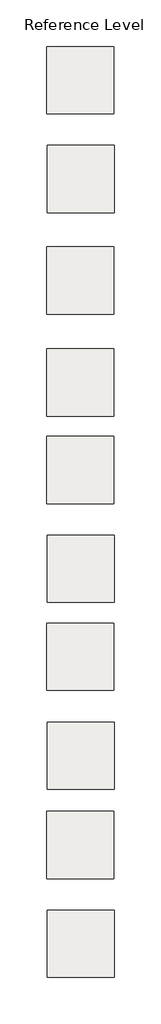
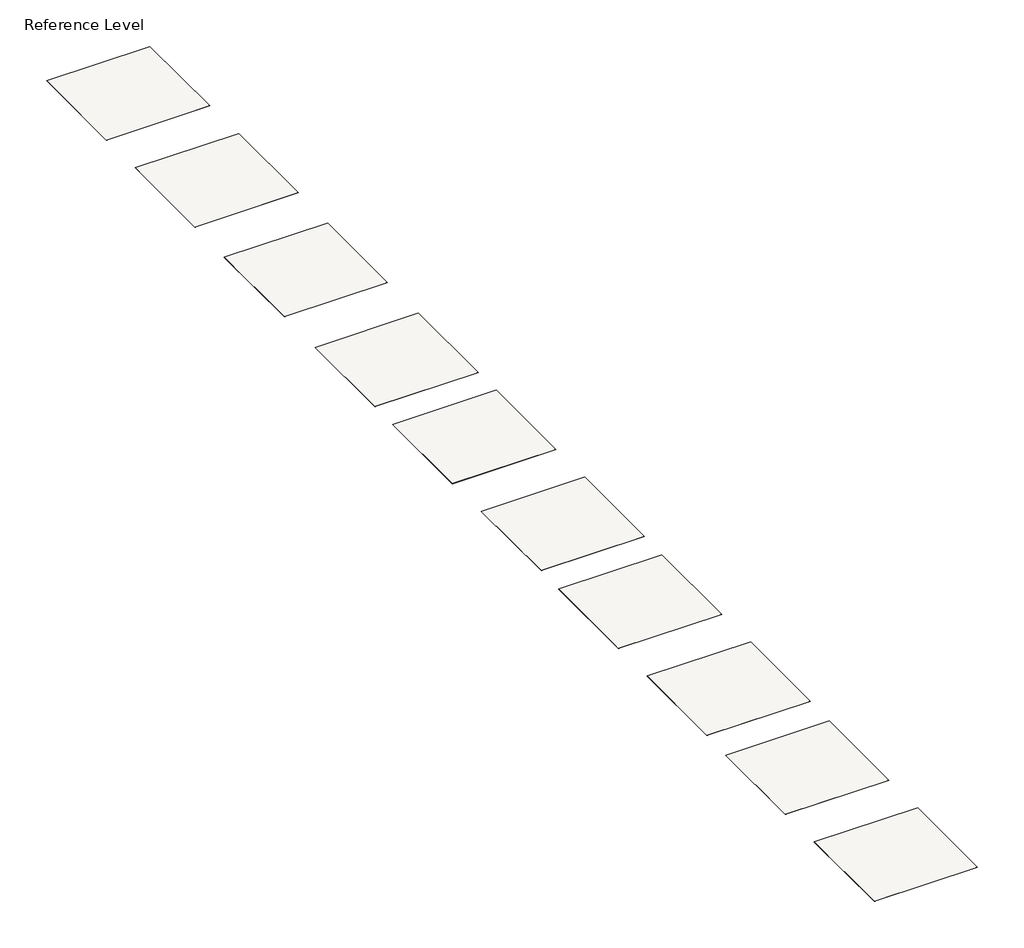
# One storey: 10 slabs.
"""IFC4 building model written with IfcOpenShell, lengths in millimetres."""

import ifcopenshell
import ifcopenshell.guid

model = None  # the IFC model being written
_history = None  # IfcOwnerHistory: only IFC2X3 demands one
_inside = {}  # id of a spatial element -> (the spatial element, [elements in it])
_under = {}  # id of a project, library or spatial element -> (it, [spatial elements below it])
_declared = {}  # id of a project -> (the project, [libraries it declares])
_typed = {}  # id of a type object -> (the type object, [elements of that type])
_made_of = {}  # id of a material, layer set ... -> (it, [elements and type objects made of it])


def new_model(schema):
    """Start an empty IFC model of exactly this schema.

    Asked for "IFC4X3", IfcOpenShell would pick the latest addendum, in which some entities
    have other attributes; the version numbers below select the first issue.
    IFC2X3 requires an IfcOwnerHistory on every rooted entity: one is made here for all.
    """
    global model, _history
    if schema == "IFC4X3":
        model = ifcopenshell.file(schema_version=(4, 3, 0, 0))
    else:
        model = ifcopenshell.file(schema=schema)
    _inside.clear()
    _under.clear()
    _declared.clear()
    _typed.clear()
    _made_of.clear()
    _history = None
    if model.schema == "IFC2X3":
        org = make("IfcOrganization", Name="unknown")
        user = make(
            "IfcPersonAndOrganization",
            ThePerson=make("IfcPerson", FamilyName="unknown"),
            TheOrganization=org,
        )
        app = make(
            "IfcApplication",
            ApplicationDeveloper=org,
            Version="unknown",
            ApplicationFullName="unknown",
            ApplicationIdentifier="unknown",
        )
        _history = make(
            "IfcOwnerHistory",
            OwningUser=user,
            OwningApplication=app,
            ChangeAction="ADDED",
            CreationDate=0,
        )
    return model


def make(cls, **values):
    """One entity of the class cls with the attributes given. An attribute that is None is left unset."""
    return model.create_entity(
        cls, **{name: value for name, value in values.items() if value is not None}
    )


def rooted(cls, **values):
    """An entity with a GlobalId (a new one), such as an element, a storey or a relation."""
    return make(cls, GlobalId=ifcopenshell.guid.new(), OwnerHistory=_history, **values)


def si_unit(unit_type, name, prefix=None):
    """IfcSIUnit, for example si_unit("LENGTHUNIT", "METRE", prefix="MILLI")."""
    return make("IfcSIUnit", UnitType=unit_type, Prefix=prefix, Name=name)


def assignment(units):
    """IfcUnitAssignment: the units of a project."""
    return None if units is None else make("IfcUnitAssignment", Units=units)


def point(xyz):
    """IfcCartesianPoint."""
    return None if xyz is None else make("IfcCartesianPoint", Coordinates=xyz)


def direction(xyz):
    """IfcDirection."""
    return None if xyz is None else make("IfcDirection", DirectionRatios=xyz)


def frame(location, z_axis=None, x_axis=None):
    """IfcAxis2Placement3D, a coordinate frame: its origin and axes. An axis left out is left unset."""
    return make(
        "IfcAxis2Placement3D",
        Location=point(location),
        Axis=direction(z_axis),
        RefDirection=direction(x_axis),
    )


def origin():
    """The frame at (0, 0, 0) with its axes left unset."""
    return frame((0.0, 0.0, 0.0))


def place(relative_to, where):
    """IfcLocalPlacement: puts the frame where relative to a parent placement (None: the world)."""
    return make(
        "IfcLocalPlacement", PlacementRelTo=relative_to, RelativePlacement=where
    )


def context(
    kind, dimensions, precision=None, world=None, true_north=None, identifier=None
):
    """IfcGeometricRepresentationContext, for example the 3D "Model" context."""
    return make(
        "IfcGeometricRepresentationContext",
        ContextIdentifier=identifier,
        ContextType=kind,
        CoordinateSpaceDimension=dimensions,
        Precision=precision,
        WorldCoordinateSystem=world,
        TrueNorth=true_north,
    )


def project(units=None, contexts=None):
    """IfcProject with its units and contexts."""
    return rooted(
        "IfcProject",
        Name="project",
        RepresentationContexts=contexts,
        UnitsInContext=assignment(units),
    )


def spatial(cls, under=None, at=None, **own):
    """A site, building, storey or space (cls), placed at a placement, below another one or the project."""
    s = rooted(cls, ObjectPlacement=at, **own)
    if under is not None:
        _under.setdefault(under.id(), (under, []))[1].append(s)
    return s


def polyline(points):
    """IfcPolyline through the points."""
    return make("IfcPolyline", Points=[point(p) for p in points])


def outline(outer, holes=None, kind="AREA"):
    """IfcArbitraryClosedProfileDef: a profile drawn as a closed curve; with holes, ...WithVoids."""
    if holes is None:
        return make("IfcArbitraryClosedProfileDef", ProfileType=kind, OuterCurve=outer)
    return make(
        "IfcArbitraryProfileDefWithVoids",
        ProfileType=kind,
        OuterCurve=outer,
        InnerCurves=holes,
    )


def extrude(swept, where, along, depth):
    """IfcExtrudedAreaSolid: the profile swept, set in the frame where, extruded along a direction by depth."""
    return make(
        "IfcExtrudedAreaSolid",
        SweptArea=swept,
        Position=where,
        ExtrudedDirection=direction(along),
        Depth=depth,
    )


def shape(context_of_items, identifier, shape_type, items):
    """IfcShapeRepresentation: the items that make up one representation, for example the "Body"."""
    return make(
        "IfcShapeRepresentation",
        ContextOfItems=context_of_items,
        RepresentationIdentifier=identifier,
        RepresentationType=shape_type,
        Items=items,
    )


def made_of(thing, what):
    """Note that an element or type object is made of a material, layer set ...; save() writes the relation."""
    if what is not None:
        _made_of.setdefault(what.id(), (what, []))[1].append(thing)
    return thing


def element(
    cls,
    number,
    at=None,
    inside=None,
    cuts=None,
    type_object=None,
    material=None,
    context=None,
    identifier="Body",
    shape_type=None,
    held_by="IfcProductDefinitionShape",
    body=None,
    shapes=None,
    **own,
):
    """One element of the class cls, such as IfcWall. Its Tag is "e" and its number.

    at: its placement. inside: the storey or other place that contains it. cuts: it is an
    opening in that element (IfcRelVoidsElement). A single representation is given by context,
    identifier, shape_type and body (its items); several are given by shapes. held_by: the class
    of the entity that holds the representations. save() writes the other relations.
    """
    e = rooted(cls, Tag="e%d" % number, ObjectPlacement=at, **own)
    if body is not None:
        shapes = [shape(context, identifier, shape_type, body)]
    if shapes is not None:
        e.Representation = make(held_by, Representations=shapes)
    if inside is not None:
        _inside.setdefault(inside.id(), (inside, []))[1].append(e)
    if cuts is not None:
        rooted(
            "IfcRelVoidsElement", RelatingBuildingElement=cuts, RelatedOpeningElement=e
        )
    if type_object is not None:
        _typed.setdefault(type_object.id(), (type_object, []))[1].append(e)
    return made_of(e, material)


def aggregate(whole, parts):
    """IfcRelAggregates: a whole, such as a stair, and the parts it consists of."""
    return rooted("IfcRelAggregates", RelatingObject=whole, RelatedObjects=parts)


def save(model, path):
    """Write the relations noted so far, then the file.

    IfcRelAggregates (storeys below a building ...), IfcRelContainedInSpatialStructure (elements
    in a storey), IfcRelDefinesByType, IfcRelAssociatesMaterial and IfcRelDeclares: one each for
    every whole, place, type object, material and project.
    """
    for whole, parts in _under.values():
        aggregate(whole, parts)
    for where, things in _inside.values():
        rooted(
            "IfcRelContainedInSpatialStructure",
            RelatedElements=things,
            RelatingStructure=where,
        )
    for kind, things in _typed.values():
        rooted("IfcRelDefinesByType", RelatedObjects=things, RelatingType=kind)
    for what, things in _made_of.values():
        rooted("IfcRelAssociatesMaterial", RelatedObjects=things, RelatingMaterial=what)
    for by, libraries in _declared.values():
        rooted("IfcRelDeclares", RelatingContext=by, RelatedDefinitions=libraries)
    model.write(path)


model = new_model("IFC4")

# Units and contexts
model_context = context("Model", 3, world=origin())
ifc_project = project(units=[si_unit("LENGTHUNIT", "METRE", prefix="MILLI")], contexts=[model_context])

# Site, building, storey
site = spatial("IfcSite", under=ifc_project)
building = spatial("IfcBuilding", under=site)
storey = spatial("IfcBuildingStorey", under=building, Name="Reference Level", Elevation=0.0)

# Slabs
placement = place(None, origin())
element("IfcSlab", 1, at=placement, inside=storey, context=model_context, shape_type="SweptSolid", body=[
    extrude(outline(polyline([(-4503.0556545, 5786.5099103), (-4503.0556545, 786.5099103), (-9503.0556545, 786.5099103), (-9503.0556545, 5786.5099103), (-4503.0556545, 5786.5099103)])), frame((0.0, 0.0, -2.25), z_axis=(0.0, 0.0, 1.0), x_axis=(1.0, 0.0, 0.0)), (0.0, 0.0, 1.0), 2.25),
])
element("IfcSlab", 2, at=placement, inside=storey, context=model_context, shape_type="SweptSolid", body=[
    extrude(outline(polyline([(-4462.2127081, -1572.6471434), (-4462.2127081, -6572.6471434), (-9462.2127081, -6572.6471434), (-9462.2127081, -1572.6471434), (-4462.2127081, -1572.6471434)])), frame((0.0, 0.0, -2.25), z_axis=(0.0, 0.0, 1.0), x_axis=(1.0, 0.0, 0.0)), (0.0, 0.0, 1.0), 2.25),
])
element("IfcSlab", 3, at=placement, inside=storey, context=model_context, shape_type="SweptSolid", body=[
    extrude(outline(polyline([(-4503.0556545, -9113.4900897), (-4503.0556545, -14113.4900897), (-9503.0556545, -14113.4900897), (-9503.0556545, -9113.4900897), (-4503.0556545, -9113.4900897)])), frame((0.0, 0.0, -2.25), z_axis=(0.0, 0.0, 1.0), x_axis=(1.0, 0.0, 0.0)), (0.0, 0.0, 1.0), 2.25),
])
element("IfcSlab", 4, at=placement, inside=storey, context=model_context, shape_type="SweptSolid", body=[
    extrude(outline(polyline([(-4503.0556545, -23213.4900897), (-4503.0556545, -28213.4900897), (-9503.0556545, -28213.4900897), (-9503.0556545, -23213.4900897), (-4503.0556545, -23213.4900897)])), frame((0.0, 0.0, -2.25), z_axis=(0.0, 0.0, 1.0), x_axis=(1.0, 0.0, 0.0)), (0.0, 0.0, 1.0), 2.25),
])
element("IfcSlab", 5, at=placement, inside=storey, context=model_context, shape_type="SweptSolid", body=[
    extrude(outline(polyline([(-4462.2127081, -30572.6471434), (-4462.2127081, -35572.6471434), (-9462.2127081, -35572.6471434), (-9462.2127081, -30572.6471434), (-4462.2127081, -30572.6471434)])), frame((0.0, 0.0, -2.25), z_axis=(0.0, 0.0, 1.0), x_axis=(1.0, 0.0, 0.0)), (0.0, 0.0, 1.0), 2.25),
])
element("IfcSlab", 6, at=placement, inside=storey, context=model_context, shape_type="SweptSolid", body=[
    extrude(outline(polyline([(-4503.0556545, -16713.4900897), (-4503.0556545, -21713.4900897), (-9503.0556545, -21713.4900897), (-9503.0556545, -16713.4900897), (-4503.0556545, -16713.4900897)])), frame((0.0, 0.0, -2.25), z_axis=(0.0, 0.0, 1.0), x_axis=(1.0, 0.0, 0.0)), (0.0, 0.0, 1.0), 2.25),
])
element("IfcSlab", 7, at=placement, inside=storey, context=model_context, shape_type="SweptSolid", body=[
    extrude(outline(polyline([(-4503.0556545, -37113.4900897), (-4503.0556545, -42113.4900897), (-9503.0556545, -42113.4900897), (-9503.0556545, -37113.4900897), (-4503.0556545, -37113.4900897)])), frame((0.0, 0.0, -2.25), z_axis=(0.0, 0.0, 1.0), x_axis=(1.0, 0.0, 0.0)), (0.0, 0.0, 1.0), 2.25),
])
element("IfcSlab", 8, at=placement, inside=storey, context=model_context, shape_type="SweptSolid", body=[
    extrude(outline(polyline([(-4462.2127081, -44472.6471434), (-4462.2127081, -49472.6471434), (-9462.2127081, -49472.6471434), (-9462.2127081, -44472.6471434), (-4462.2127081, -44472.6471434)])), frame((0.0, 0.0, -2.25), z_axis=(0.0, 0.0, 1.0), x_axis=(1.0, 0.0, 0.0)), (0.0, 0.0, 1.0), 2.25),
])
element("IfcSlab", 9, at=placement, inside=storey, context=model_context, shape_type="SweptSolid", body=[
    extrude(outline(polyline([(-4503.0556545, -51113.4900897), (-4503.0556545, -56113.4900897), (-9503.0556545, -56113.4900897), (-9503.0556545, -51113.4900897), (-4503.0556545, -51113.4900897)])), frame((0.0, 0.0, -2.25), z_axis=(0.0, 0.0, 1.0), x_axis=(1.0, 0.0, 0.0)), (0.0, 0.0, 1.0), 2.25),
])
element("IfcSlab", 10, at=placement, inside=storey, context=model_context, shape_type="SweptSolid", body=[
    extrude(outline(polyline([(-4462.2127081, -58472.6471434), (-4462.2127081, -63472.6471434), (-9462.2127081, -63472.6471434), (-9462.2127081, -58472.6471434), (-4462.2127081, -58472.6471434)])), frame((0.0, 0.0, -2.25), z_axis=(0.0, 0.0, 1.0), x_axis=(1.0, 0.0, 0.0)), (0.0, 0.0, 1.0), 2.25),
])

save(model, "model.ifc")
